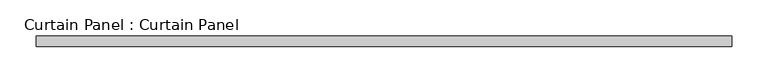
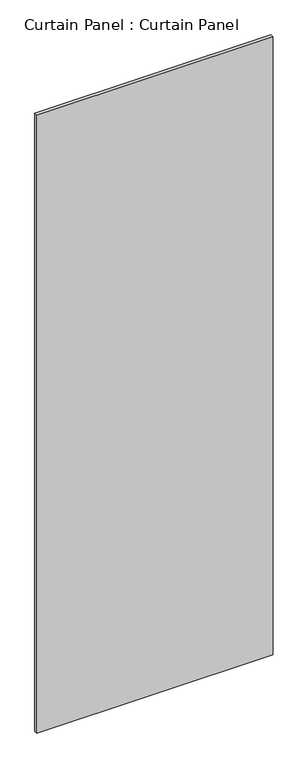
"""IFC4 building model written with IfcOpenShell, lengths in millimetres: plate geometry, Curtain Panel : Curtain Panel."""

from ifc_helpers import new_model, si_unit, frame, origin, place, context, project, spatial, polyline, outline, extrude, source, transform, mapped, element, save


def curtain_panel_curtain_panel_8d4f09c9(model_context):
    return source(origin(), model_context, "Body", "SweptSolid", [
        extrude(outline(polyline([(-76166.6779199, 951.0313826), (-77127.7829366, 951.0313826), (-77127.7829366, 965.3188826), (-76166.6779199, 965.3188826), (-76166.6779199, 951.0313826)])), frame((0.0, 0.0, 227.0318741), z_axis=(0.0, 0.0, 1.0), x_axis=(1.0, 0.0, 0.0)), (0.0, 0.0, 1.0), 2658.0138555),
    ])


if __name__ == "__main__":
    model = new_model("IFC4")
    model_context = context("Model", 3, world=origin())
    ifc_project = project(units=[si_unit("LENGTHUNIT", "METRE", prefix="MILLI")], contexts=[model_context])
    site = spatial("IfcSite", under=ifc_project)
    building = spatial("IfcBuilding", under=site)
    placement = place(None, origin())
    curtain_panel_curtain_panel_shape = curtain_panel_curtain_panel_8d4f09c9(model_context)
    element("IfcPlate", 1, ObjectType="Curtain Panel : Curtain Panel", at=placement, inside=building, context=model_context, shape_type="MappedRepresentation", body=[
        mapped(curtain_panel_curtain_panel_shape, transform((0.0, 0.0, 0.0), x_axis=(1.0, 0.0, 0.0), y_axis=(0.0, 1.0, 0.0), z_axis=(0.0, 0.0, 1.0))),
    ])
    save(model, "model.ifc")
